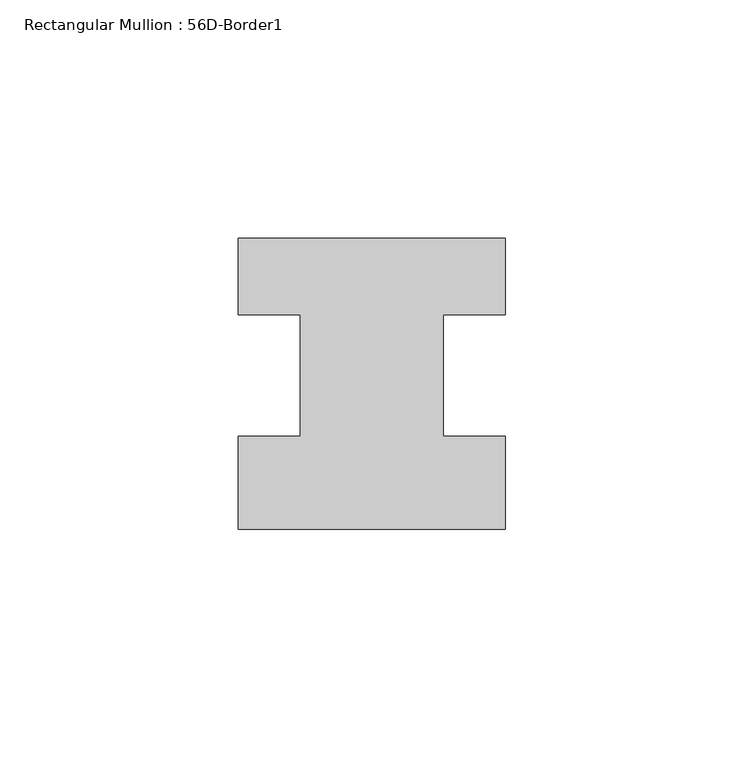
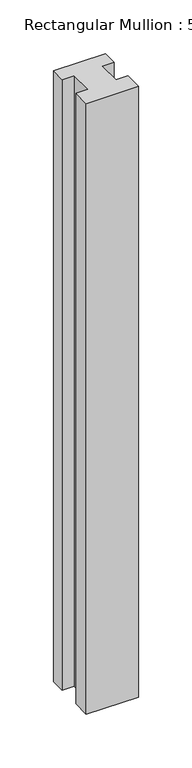
"""IFC4 building model written with IfcOpenShell, lengths in millimetres: member geometry, Rectangular Mullion : 56D-Border1."""

from ifc_helpers import new_model, si_unit, frame, origin, place, context, project, spatial, polyline, outline, extrude, source, transform, mapped, element, save


def rectangular_mullion_56d_border1_987f7f25(model_context):
    return source(origin(), model_context, "Body", "SweptSolid", [
        extrude(outline(polyline([(-56.0, -20.0), (-56.0, -0.5), (-43.0, -0.5), (-43.0, 25.0), (-56.0, 25.0), (-56.0, 41.0), (0.0, 41.0), (0.0, 25.0), (-13.0, 25.0), (-13.0, -0.5), (0.0, -0.5), (0.0, -20.0), (-56.0, -20.0)])), frame((0.0, 0.0, -694.0), z_axis=(0.0, 0.0, 1.0), x_axis=(1.0, 0.0, 0.0)), (0.0, 0.0, 1.0), 694.0),
    ])


if __name__ == "__main__":
    model = new_model("IFC4")
    model_context = context("Model", 3, world=origin())
    ifc_project = project(units=[si_unit("LENGTHUNIT", "METRE", prefix="MILLI")], contexts=[model_context])
    site = spatial("IfcSite", under=ifc_project)
    building = spatial("IfcBuilding", under=site)
    placement = place(None, origin())
    rectangular_mullion_56d_border1_shape = rectangular_mullion_56d_border1_987f7f25(model_context)
    element("IfcMember", 1, ObjectType="Rectangular Mullion : 56D-Border1", at=placement, inside=building, context=model_context, shape_type="MappedRepresentation", body=[
        mapped(rectangular_mullion_56d_border1_shape, transform((0.0, 0.0, 0.0), x_axis=(1.0, 0.0, 0.0), y_axis=(0.0, 1.0, 0.0), z_axis=(0.0, 0.0, 1.0))),
    ])
    save(model, "model.ifc")
